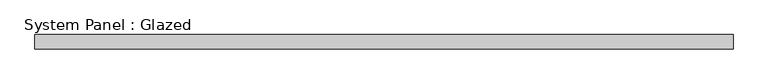
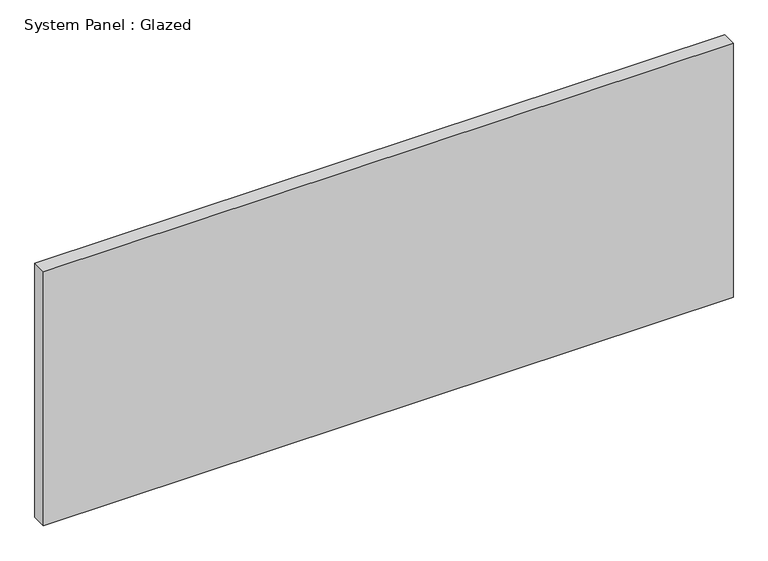
"""IFC4 building model written with IfcOpenShell, lengths in millimetres: plate geometry, System Panel : Glazed."""

from ifc_helpers import new_model, si_unit, origin, origin_with_axes, place, context, project, spatial, polyline, outline, extrude, source, transform, mapped, element, save


def system_panel_glazed_23f38685(model_context):
    return source(origin(), model_context, "Body", "SweptSolid", [
        extrude(outline(polyline([(611.4840124, -12.7), (-611.4840124, -12.7), (-611.4840124, 12.7), (611.4840124, 12.7), (611.4840124, -12.7)])), origin_with_axes(), (0.0, 0.0, 1.0), 476.25),
    ])


if __name__ == "__main__":
    model = new_model("IFC4")
    model_context = context("Model", 3, world=origin())
    ifc_project = project(units=[si_unit("LENGTHUNIT", "METRE", prefix="MILLI")], contexts=[model_context])
    site = spatial("IfcSite", under=ifc_project)
    building = spatial("IfcBuilding", under=site)
    placement = place(None, origin())
    system_panel_glazed_shape = system_panel_glazed_23f38685(model_context)
    element("IfcPlate", 1, ObjectType="System Panel : Glazed", at=placement, inside=building, context=model_context, shape_type="MappedRepresentation", body=[
        mapped(system_panel_glazed_shape, transform((0.0, 0.0, 0.0), x_axis=(1.0, 0.0, 0.0), y_axis=(0.0, 1.0, 0.0), z_axis=(0.0, 0.0, 1.0))),
    ])
    save(model, "model.ifc")
